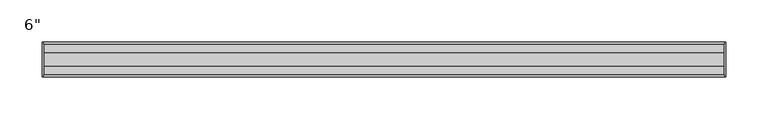
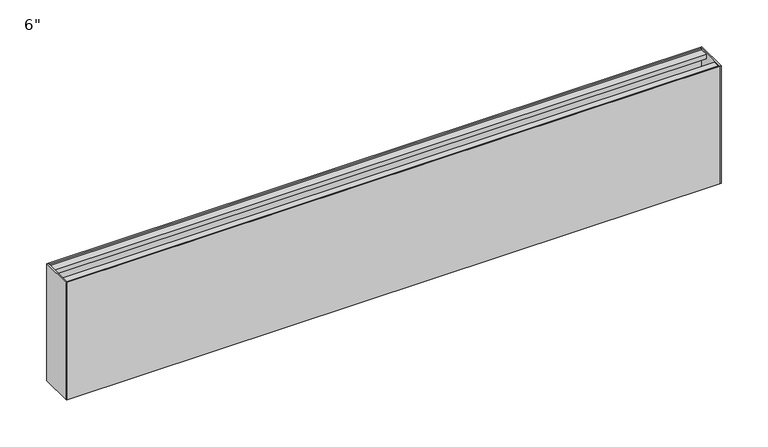
"""IFC4 building model written with IfcOpenShell, lengths in millimetres: proxy geometry."""

from ifc_helpers import new_model, si_unit, frame, origin, origin_with_axes, place, context, project, spatial, polyline, outline, extrude, source, transform, mapped, element, save


def proxy_7de63438(model_context):
    return source(origin(), model_context, "Body", "SweptSolid", [
        extrude(outline(polyline([(20.5, 152.4), (20.5, 0.0), (-20.5, 0.0), (-20.5, 152.4), (-18.5, 152.4), (-18.5, 150.65), (-8.5, 150.65), (-8.5, 145.0), (-9.5, 145.0), (-13.15, 148.65), (-18.5, 148.65), (-18.5, 125.25), (18.5, 125.25), (18.5, 148.65), (13.15, 148.65), (9.5, 145.0), (8.5, 145.0), (8.5, 150.65), (18.5, 150.65), (18.5, 152.4), (20.5, 152.4)]), holes=[polyline([(18.5, 123.25), (-18.5, 123.25), (-18.5, 2.0), (18.5, 2.0), (18.5, 123.25)])]), frame((1.651, 0.0, 0.0), z_axis=(1.0, 0.0, 0.0), x_axis=(0.0, 1.0, 0.0)), (0.0, 0.0, 1.0), 803.0541072),
        extrude(outline(polyline([(0.0, -20.5), (0.0, 20.5), (1.651, 20.5), (1.651, -20.5), (0.0, -20.5)])), origin_with_axes(), (0.0, 0.0, 1.0), 152.4),
        extrude(outline(polyline([(806.3561072, -20.5), (804.7051072, -20.5), (804.7051072, 20.5), (806.3561072, 20.5), (806.3561072, -20.5)])), origin_with_axes(), (0.0, 0.0, 1.0), 152.4),
    ])


if __name__ == "__main__":
    model = new_model("IFC4")
    model_context = context("Model", 3, world=origin())
    ifc_project = project(units=[si_unit("LENGTHUNIT", "METRE", prefix="MILLI")], contexts=[model_context])
    site = spatial("IfcSite", under=ifc_project)
    building = spatial("IfcBuilding", under=site)
    placement = place(None, origin())
    proxy_shape = proxy_7de63438(model_context)
    element("IfcBuildingElementProxy", 1, Name="6\"", ObjectType="6\"", at=placement, inside=building, context=model_context, shape_type="MappedRepresentation", body=[
        mapped(proxy_shape, transform((0.0, 0.0, 0.0), x_axis=(1.0, 0.0, 0.0), y_axis=(0.0, 1.0, 0.0), z_axis=(0.0, 0.0, 1.0))),
    ])
    save(model, "model.ifc")
